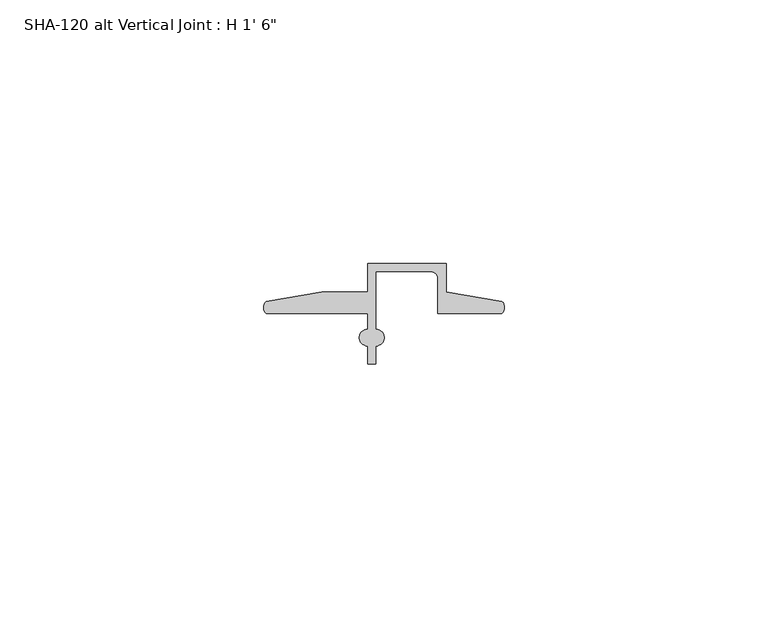
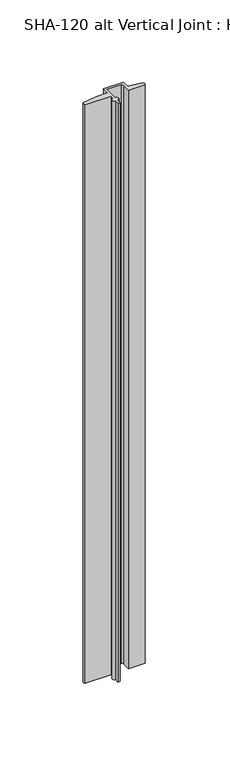
"""IFC4 building model written with IfcOpenShell, lengths in millimetres: proxy geometry."""

from ifc_helpers import new_model, si_unit, point, frame_2d, origin, origin_with_axes, place, context, project, spatial, polyline, circle_curve, trimmed, segment, composite_curve, outline, extrude, source, transform, mapped, element, save


def proxy_48de7e91(model_context):
    return source(origin(), model_context, "Body", "SweptSolid", [
        extrude(outline(composite_curve([segment(trimmed(circle_curve(frame_2d((1.6155848, 11.7336765)), 1.6162393), [point((0.5248271, 10.541))], [point((0.4587433, 12.8623692))], False, "CARTESIAN"), True, "CONTINUOUS"), segment(polyline([(0.4587433, 12.8623692), (11.0348302, 14.673343), (19.7299797, 14.673343), (19.7299797, 20.0914), (34.6397797, 20.0914), (34.6397797, 14.698743), (45.2158666, 12.8877692)]), True, "CONTINUOUS"), segment(trimmed(circle_curve(frame_2d((44.0583525, 11.7590956)), 1.6167075), [point((45.2158666, 12.8877692))], [point((45.1497828, 10.5664))], False, "CARTESIAN"), True, "CONTINUOUS"), segment(polyline([(45.1497828, 10.5664), (33.0649797, 10.5664), (33.0649797, 17.2466)]), True, "CONTINUOUS"), segment(trimmed(circle_curve(frame_2d((31.7949797, 17.2466)), 1.27), [point((33.0649797, 17.2466))], [point((31.7949797, 18.5166))], True, "CARTESIAN"), True, "CONTINUOUS"), segment(polyline([(31.7949797, 18.5166), (21.3047797, 18.5166), (21.3047797, 7.5765422)]), True, "CONTINUOUS"), segment(trimmed(circle_curve(frame_2d((21.3047797, 6.0017422)), 1.5748), [point((21.3047797, 7.5765422))], [point((21.3047797, 4.4269422))], False, "CARTESIAN"), True, "CONTINUOUS"), segment(polyline([(21.3047797, 4.4269422), (21.3047797, 1.0414), (19.7299794, 1.0414), (19.7299794, 4.4269422)]), True, "CONTINUOUS"), segment(trimmed(circle_curve(frame_2d((19.7299794, 6.0017422)), 1.5748), [point((19.7299794, 4.4269422))], [point((19.7299794, 7.5765422))], False, "CARTESIAN"), True, "CONTINUOUS"), segment(polyline([(19.7299794, 7.5765422), (19.7299794, 10.541), (0.5248271, 10.541)]), True, "CONTINUOUS")], self_intersect=False)), origin_with_axes(), (0.0, 0.0, 1.0), 457.2),
    ])


if __name__ == "__main__":
    model = new_model("IFC4")
    model_context = context("Model", 3, world=origin())
    ifc_project = project(units=[si_unit("LENGTHUNIT", "METRE", prefix="MILLI")], contexts=[model_context])
    site = spatial("IfcSite", under=ifc_project)
    building = spatial("IfcBuilding", under=site)
    placement = place(None, origin())
    proxy_shape = proxy_48de7e91(model_context)
    element("IfcBuildingElementProxy", 1, Name="SHA-120 alt Vertical Joint : H 1' 6\"", ObjectType="SHA-120 alt Vertical Joint : H 1' 6\"", at=placement, inside=building, context=model_context, shape_type="MappedRepresentation", body=[
        mapped(proxy_shape, transform((0.0, 0.0, 0.0), x_axis=(1.0, 0.0, 0.0), y_axis=(0.0, 1.0, 0.0), z_axis=(0.0, 0.0, 1.0))),
    ])
    save(model, "model.ifc")
